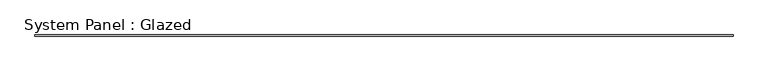
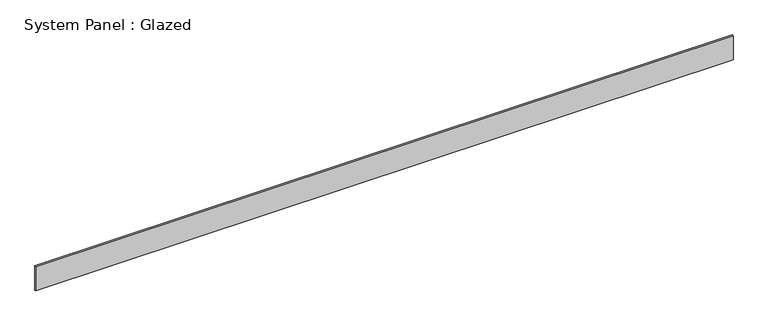
"""IFC4 building model written with IfcOpenShell, lengths in millimetres: plate geometry, System Panel : Glazed."""

from ifc_helpers import new_model, si_unit, origin, origin_with_axes, place, context, project, spatial, polyline, outline, extrude, source, transform, mapped, element, save


def system_panel_glazed_6c9a0402(model_context):
    return source(origin(), model_context, "Body", "SweptSolid", [
        extrude(outline(polyline([(7924.8, 19.05), (-7924.8, 19.05), (-7924.8, 44.45), (7924.8, 44.45), (7924.8, 19.05)])), origin_with_axes(), (0.0, 0.0, 1.0), 584.2),
    ])


if __name__ == "__main__":
    model = new_model("IFC4")
    model_context = context("Model", 3, world=origin())
    ifc_project = project(units=[si_unit("LENGTHUNIT", "METRE", prefix="MILLI")], contexts=[model_context])
    site = spatial("IfcSite", under=ifc_project)
    building = spatial("IfcBuilding", under=site)
    placement = place(None, origin())
    system_panel_glazed_shape = system_panel_glazed_6c9a0402(model_context)
    element("IfcPlate", 1, ObjectType="System Panel : Glazed", at=placement, inside=building, context=model_context, shape_type="MappedRepresentation", body=[
        mapped(system_panel_glazed_shape, transform((0.0, 0.0, 0.0), x_axis=(1.0, 0.0, 0.0), y_axis=(0.0, 1.0, 0.0), z_axis=(0.0, 0.0, 1.0))),
    ])
    save(model, "model.ifc")
